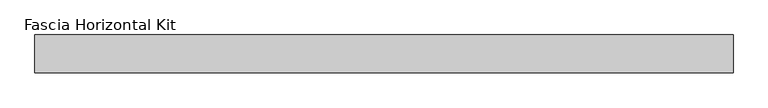
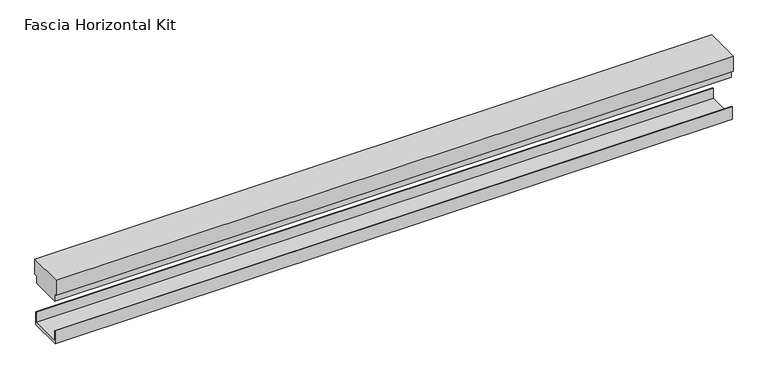
"""IFC4 building model written with IfcOpenShell, lengths in millimetres: proxy geometry, Fascia Horizontal Kit."""

from ifc_helpers import new_model, si_unit, frame, origin, place, context, project, spatial, polyline, outline, extrude, source, transform, mapped, element, save


def fascia_horizontal_kit_c1735a25(model_context):
    return source(origin(), model_context, "Body", "SweptSolid", [
        extrude(outline(polyline([(94.0992263, 4.58724), (94.0992263, 23.2156), (95.2574663, 23.2156), (95.2574663, 0.0), (37.2438663, 0.0), (37.2438663, 23.2156), (38.4021063, 23.2156), (38.4021063, 4.58724), (94.0992263, 4.58724)])), frame((-692.0294109, 0.0, 0.0), z_axis=(1.0, 0.0, 0.0), x_axis=(0.0, 1.0, 0.0)), (0.0, 0.0, 1.0), 1183.3740995),
        extrude(outline(polyline([(98.4324663, 119.029), (98.4324663, 91.029), (93.5466663, 91.029), (93.5466663, 77.0336001), (38.9546663, 77.0336001), (38.9546663, 91.029), (34.0688663, 91.029), (34.0688663, 119.029), (98.4324663, 119.029)])), frame((-692.0294109, 0.0, 0.0), z_axis=(1.0, 0.0, 0.0), x_axis=(0.0, 1.0, 0.0)), (0.0, 0.0, 1.0), 1183.3740995),
    ])


if __name__ == "__main__":
    model = new_model("IFC4")
    model_context = context("Model", 3, world=origin())
    ifc_project = project(units=[si_unit("LENGTHUNIT", "METRE", prefix="MILLI")], contexts=[model_context])
    site = spatial("IfcSite", under=ifc_project)
    building = spatial("IfcBuilding", under=site)
    placement = place(None, origin())
    fascia_horizontal_kit_shape = fascia_horizontal_kit_c1735a25(model_context)
    element("IfcBuildingElementProxy", 1, Name="Fascia Horizontal Kit", ObjectType="Fascia Horizontal Kit", at=placement, inside=building, context=model_context, shape_type="MappedRepresentation", body=[
        mapped(fascia_horizontal_kit_shape, transform((0.0, 0.0, 0.0), x_axis=(1.0, 0.0, 0.0), y_axis=(0.0, 1.0, 0.0), z_axis=(0.0, 0.0, 1.0))),
    ])
    save(model, "model.ifc")
